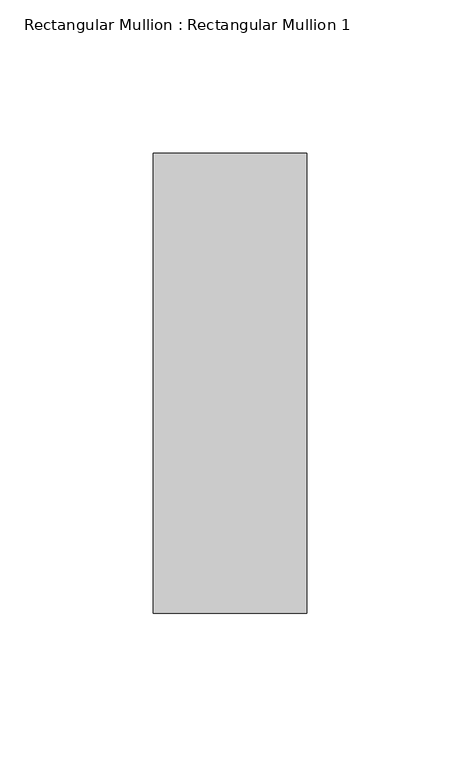
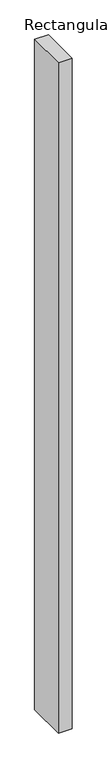
"""IFC4 building model written with IfcOpenShell, lengths in millimetres: member geometry, Rectangular Mullion : Rectangular Mullion 1."""

from ifc_helpers import new_model, si_unit, frame, origin, place, context, project, spatial, polyline, outline, extrude, source, transform, mapped, element, save


def rectangular_mullion_rectangular_mullion_1_7bfbbdb4(model_context):
    return source(origin(), model_context, "Body", "SweptSolid", [
        extrude(outline(polyline([(0.0, 75.0), (0.0, -75.0), (-50.0, -75.0), (-50.0, 75.0), (0.0, 75.0)])), frame((0.0, 0.0, -2600.0), z_axis=(0.0, 0.0, 1.0), x_axis=(1.0, 0.0, 0.0)), (0.0, 0.0, 1.0), 2600.0),
    ])


if __name__ == "__main__":
    model = new_model("IFC4")
    model_context = context("Model", 3, world=origin())
    ifc_project = project(units=[si_unit("LENGTHUNIT", "METRE", prefix="MILLI")], contexts=[model_context])
    site = spatial("IfcSite", under=ifc_project)
    building = spatial("IfcBuilding", under=site)
    placement = place(None, origin())
    rectangular_mullion_rectangular_mullion_1_shape = rectangular_mullion_rectangular_mullion_1_7bfbbdb4(model_context)
    element("IfcMember", 1, ObjectType="Rectangular Mullion : Rectangular Mullion 1", at=placement, inside=building, context=model_context, shape_type="MappedRepresentation", body=[
        mapped(rectangular_mullion_rectangular_mullion_1_shape, transform((0.0, 0.0, 0.0), x_axis=(1.0, 0.0, 0.0), y_axis=(0.0, 1.0, 0.0), z_axis=(0.0, 0.0, 1.0))),
    ])
    save(model, "model.ifc")
